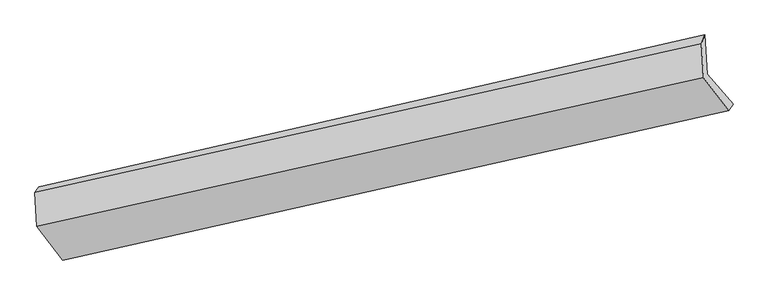
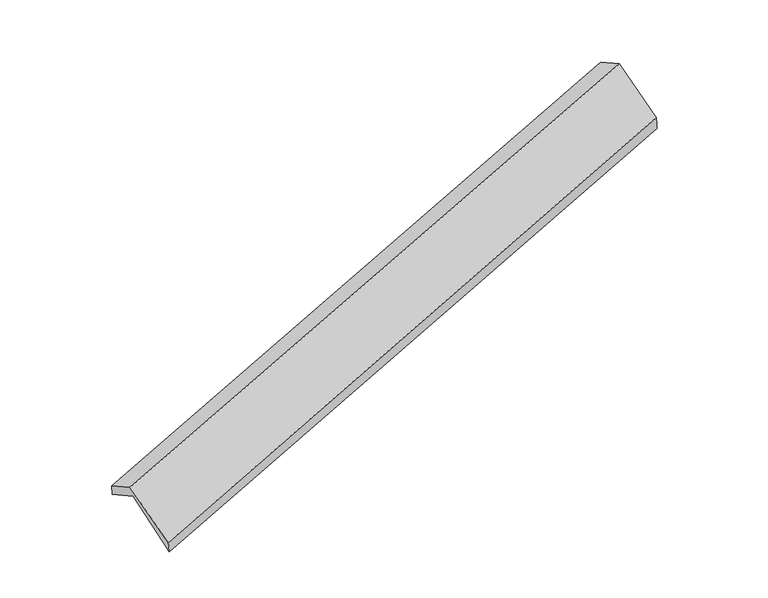
"""IFC4 building model written with IfcOpenShell, lengths in millimetres: proxy geometry."""

from ifc_helpers import new_model, si_unit, frame, origin, place, context, project, spatial, source, transform, mapped, element, save
from ifc_brep_helpers import plane_surface, spline_surface, advanced_brep


def generic_models_09de7dec(model_context):
    return source(origin(), model_context, "Body", "AdvancedBrep", [
        advanced_brep(
        [(-5727.9669957, -2482.9605641, 603.9656324), (-5964.2375113, -2206.4421962, 1157.6765909), (134.5453936, -814.6351522, 3045.6764954), (370.8159092, -1091.1535201, 2491.9655369), (-5985.4228381, -1849.138286, 970.2023129), (113.2868287, -456.0960352, 2857.554115), (-6019.1137539, -1901.0423023, 1114.291715), (81.3275654, -537.205465, 3016.9673455), (-6000.6815248, -2211.9134825, 1277.4031403), (99.7981218, -848.7230585, 3180.4179383), (-5763.9336076, -2520.9577261, 745.3701424), (329.3512504, -1148.3754223, 2664.5534666)],
        [
            (0, 1),
            (1, 2),
            (2, 3),
            (3, 0),
            (1, 4),
            (4, 5),
            (5, 2),
            (4, 6),
            (6, 7),
            (7, 5),
            (6, 8),
            (8, 9),
            (9, 7),
            (8, 10),
            (10, 11),
            (11, 9),
            (10, 0),
            (3, 11),
        ],
        [
            plane_surface(frame((-5846.1022535, -2344.7013801, 880.8211117), z_axis=(-0.0574271272800939, 0.8831585782263393, -0.4655459706168523), x_axis=(-0.35664459725524583, 0.41739775147587604, 0.8358132257337918))),
            plane_surface(frame((-5974.8301747, -2027.7902411, 1063.9394519), z_axis=(0.3543387000703089, -0.41791364200722475, -0.8365358769692671), x_axis=(-0.05243161886975705, 0.8842923504561144, -0.4639805645363791))),
            spline_surface(1, 1, [[(-5985.4228381, -1849.138286, 970.2023129), (113.2868287, -456.0960352, 2857.554115)], [(-6019.1137539, -1901.0423023, 1114.291715), (81.3275654, -537.205465, 3016.9673455)]], [2, 2], [2, 2], [0.0, 1.0], [0.0, 1.0]),
            plane_surface(frame((-6009.8976393, -2056.4778924, 1195.8474277), z_axis=(-0.35433870007030743, 0.4179136420072254, 0.8365358769692675), x_axis=(0.052431618869756995, -0.8842923504561143, 0.4639805645363794))),
            plane_surface(frame((-5882.3075662, -2366.4356043, 1011.3866414), z_axis=(0.03183765898651991, -0.8580464001879683, 0.5125843721717696), x_axis=(0.35911438025671816, -0.4687780714570615, -0.8070216735713059))),
            spline_surface(1, 1, [[(-5763.9336076, -2520.9577261, 745.3701424), (329.3512504, -1148.3754223, 2664.5534666)], [(-5727.9669957, -2482.9605641, 603.9656324), (370.8159092, -1091.1535201, 2491.9655369)]], [2, 2], [2, 2], [0.0, 1.0], [0.0, 1.0]),
            plane_surface(frame((188.1875115, -816.0314422, 2876.1891496), z_axis=(0.9327676862924135, 0.20929920207154204, 0.29349324936174204), x_axis=(0.35911438025671816, -0.4687780714570615, -0.8070216735713059))),
            plane_surface(frame((-5910.2260385, -2195.4090929, 978.151589), z_axis=(-0.9327676862924281, -0.20929920207143102, -0.2934932493617743), x_axis=(-0.23854746861786136, -0.2520150308176949, 0.9378611461500933))),
        ],
        [
            (0, [[1, 2, 3, 4]]),
            (1, [[5, 6, 7, -2]]),
            (2, [[8, 9, 10, -6]]),
            (3, [[11, 12, 13, -9]]),
            (4, [[14, 15, 16, -12]]),
            (5, [[17, -4, 18, -15]]),
            (6, [[-16, -18, -3, -7, -10, -13]]),
            (7, [[-17, -14, -11, -8, -5, -1]]),
        ],
    ),
    ])


if __name__ == "__main__":
    model = new_model("IFC4")
    model_context = context("Model", 3, world=origin())
    ifc_project = project(units=[si_unit("LENGTHUNIT", "METRE", prefix="MILLI")], contexts=[model_context])
    site = spatial("IfcSite", under=ifc_project)
    building = spatial("IfcBuilding", under=site)
    placement = place(None, origin())
    generic_models_shape = generic_models_09de7dec(model_context)
    element("IfcBuildingElementProxy", 1, Name="Generic Models", at=placement, inside=building, context=model_context, shape_type="MappedRepresentation", body=[
        mapped(generic_models_shape, transform((0.0, 0.0, 0.0), x_axis=(1.0, 0.0, 0.0), y_axis=(0.0, 1.0, 0.0), z_axis=(0.0, 0.0, 1.0))),
    ])
    save(model, "model.ifc")
